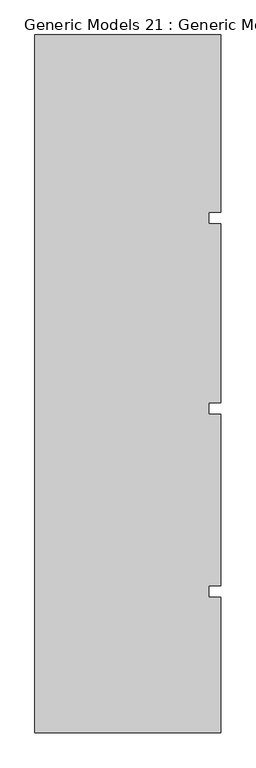
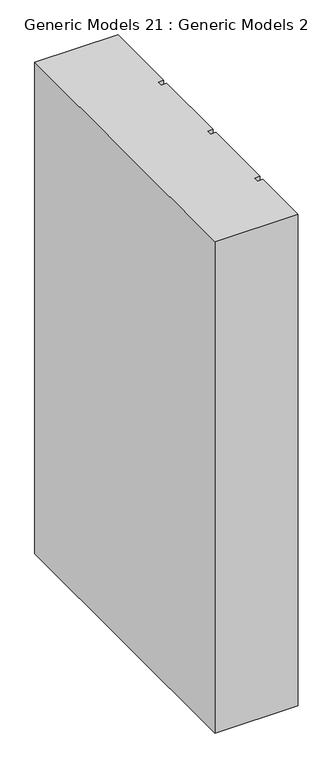
"""IFC4 building model written with IfcOpenShell, lengths in millimetres: proxy geometry, Generic Models 21 : Generic Models 2."""

from ifc_helpers import new_model, si_unit, frame, origin, place, context, project, spatial, polyline, outline, extrude, source, transform, mapped, element, save


def generic_models_21_generic_models_2_d3b297a8(model_context):
    return source(origin(), model_context, "Body", "SweptSolid", [
        extrude(outline(polyline([(6158.9891931, -239.4418036), (6646.0314083, -239.4418036), (6646.0314083, -703.851216), (6614.3889077, -703.851216), (6614.3889077, -733.8846489), (6646.0314083, -733.8846489), (6646.0314083, -1203.851216), (6614.3889077, -1203.851216), (6614.3889077, -1233.8846489), (6646.0314083, -1233.8846489), (6646.0314083, -1683.851216), (6614.3889077, -1683.851216), (6614.3889077, -1713.8846489), (6646.0314083, -1713.8846489), (6646.0314083, -2068.9906388), (6158.9891931, -2068.9906388), (6158.9891931, -239.4418036)])), frame((0.0, 0.0, 9000.0), z_axis=(0.0, 0.0, 1.0), x_axis=(1.0, 0.0, 0.0)), (0.0, 0.0, 1.0), 3044.7067261),
    ])


if __name__ == "__main__":
    model = new_model("IFC4")
    model_context = context("Model", 3, world=origin())
    ifc_project = project(units=[si_unit("LENGTHUNIT", "METRE", prefix="MILLI")], contexts=[model_context])
    site = spatial("IfcSite", under=ifc_project)
    building = spatial("IfcBuilding", under=site)
    placement = place(None, origin())
    generic_models_21_generic_models_2_shape = generic_models_21_generic_models_2_d3b297a8(model_context)
    element("IfcBuildingElementProxy", 1, Name="Generic Models 21 : Generic Models 2", ObjectType="Generic Models 21 : Generic Models 2", at=placement, inside=building, context=model_context, shape_type="MappedRepresentation", body=[
        mapped(generic_models_21_generic_models_2_shape, transform((0.0, 0.0, 0.0), x_axis=(1.0, 0.0, 0.0), y_axis=(0.0, 1.0, 0.0), z_axis=(0.0, 0.0, 1.0))),
    ])
    save(model, "model.ifc")
